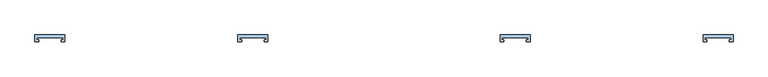
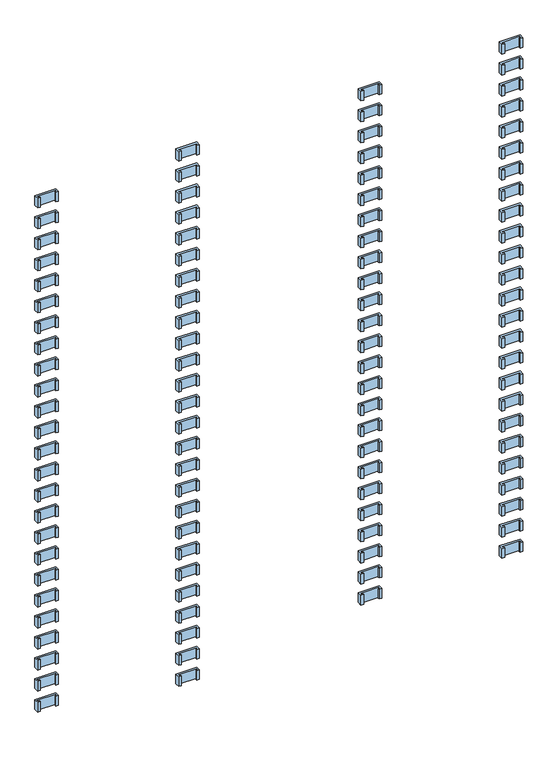
"""IFC4 building model written with IfcOpenShell, lengths in millimetres: window geometry."""

from ifc_helpers import new_model, si_unit, frame, origin, place, context, project, spatial, polyline, outline, extrude, source, transform, mapped, element, save


def window_f1f08035(model_context):
    return source(origin(), model_context, "Body", "SweptSolid", [
        extrude(outline(polyline([(-302.5936804, 112.1), (-302.5936804, 107.9), (-298.5936804, 107.9), (-298.5936804, 104.1), (-306.5, 104.1), (-306.5, 118.0), (-243.5, 118.0), (-243.5, 104.1), (-251.4063196, 104.1), (-251.4063196, 107.9), (-247.4063196, 107.9), (-247.4063196, 112.1), (-302.5936804, 112.1)])), frame((0.0, 0.0, 2062.0), z_axis=(0.0, 0.0, 1.0), x_axis=(1.0, 0.0, 0.0)), (0.0, 0.0, 1.0), 31.0),
        extrude(outline(polyline([(247.4063196, 112.1), (247.4063196, 107.9), (251.4063196, 107.9), (251.4063196, 104.1), (243.5, 104.1), (243.5, 118.0), (306.5, 118.0), (306.5, 104.1), (298.5936804, 104.1), (298.5936804, 107.9), (302.5936804, 107.9), (302.5936804, 112.1), (247.4063196, 112.1)])), frame((0.0, 0.0, 2062.0), z_axis=(0.0, 0.0, 1.0), x_axis=(1.0, 0.0, 0.0)), (0.0, 0.0, 1.0), 31.0),
        extrude(outline(polyline([(-672.9063196, 112.1), (-728.0936804, 112.1), (-728.0936804, 107.9), (-724.0936804, 107.9), (-724.0936804, 104.1), (-732.0, 104.1), (-732.0, 118.0), (-669.0, 118.0), (-669.0, 104.1), (-676.9063196, 104.1), (-676.9063196, 107.9), (-672.9063196, 107.9), (-672.9063196, 112.1)])), frame((0.0, 0.0, 2062.0), z_axis=(0.0, 0.0, 1.0), x_axis=(1.0, 0.0, 0.0)), (0.0, 0.0, 1.0), 31.0),
        extrude(outline(polyline([(672.9063196, 112.1), (672.9063196, 107.9), (676.9063196, 107.9), (676.9063196, 104.1), (669.0, 104.1), (669.0, 118.0), (732.0, 118.0), (732.0, 104.1), (724.0936804, 104.1), (724.0936804, 107.9), (728.0936804, 107.9), (728.0936804, 112.1), (672.9063196, 112.1)])), frame((0.0, 0.0, 2062.0), z_axis=(0.0, 0.0, 1.0), x_axis=(1.0, 0.0, 0.0)), (0.0, 0.0, 1.0), 31.0),
        extrude(outline(polyline([(-302.5936804, 112.1), (-302.5936804, 107.9), (-298.5936804, 107.9), (-298.5936804, 104.1), (-306.5, 104.1), (-306.5, 118.0), (-243.5, 118.0), (-243.5, 104.1), (-251.4063196, 104.1), (-251.4063196, 107.9), (-247.4063196, 107.9), (-247.4063196, 112.1), (-302.5936804, 112.1)])), frame((0.0, 0.0, 1995.0), z_axis=(0.0, 0.0, 1.0), x_axis=(1.0, 0.0, 0.0)), (0.0, 0.0, 1.0), 31.0),
        extrude(outline(polyline([(247.4063196, 112.1), (247.4063196, 107.9), (251.4063196, 107.9), (251.4063196, 104.1), (243.5, 104.1), (243.5, 118.0), (306.5, 118.0), (306.5, 104.1), (298.5936804, 104.1), (298.5936804, 107.9), (302.5936804, 107.9), (302.5936804, 112.1), (247.4063196, 112.1)])), frame((0.0, 0.0, 1995.0), z_axis=(0.0, 0.0, 1.0), x_axis=(1.0, 0.0, 0.0)), (0.0, 0.0, 1.0), 31.0),
        extrude(outline(polyline([(-672.9063196, 112.1), (-728.0936804, 112.1), (-728.0936804, 107.9), (-724.0936804, 107.9), (-724.0936804, 104.1), (-732.0, 104.1), (-732.0, 118.0), (-669.0, 118.0), (-669.0, 104.1), (-676.9063196, 104.1), (-676.9063196, 107.9), (-672.9063196, 107.9), (-672.9063196, 112.1)])), frame((0.0, 0.0, 1995.0), z_axis=(0.0, 0.0, 1.0), x_axis=(1.0, 0.0, 0.0)), (0.0, 0.0, 1.0), 31.0),
        extrude(outline(polyline([(672.9063196, 112.1), (672.9063196, 107.9), (676.9063196, 107.9), (676.9063196, 104.1), (669.0, 104.1), (669.0, 118.0), (732.0, 118.0), (732.0, 104.1), (724.0936804, 104.1), (724.0936804, 107.9), (728.0936804, 107.9), (728.0936804, 112.1), (672.9063196, 112.1)])), frame((0.0, 0.0, 1995.0), z_axis=(0.0, 0.0, 1.0), x_axis=(1.0, 0.0, 0.0)), (0.0, 0.0, 1.0), 31.0),
        extrude(outline(polyline([(-302.5936804, 112.1), (-302.5936804, 107.9), (-298.5936804, 107.9), (-298.5936804, 104.1), (-306.5, 104.1), (-306.5, 118.0), (-243.5, 118.0), (-243.5, 104.1), (-251.4063196, 104.1), (-251.4063196, 107.9), (-247.4063196, 107.9), (-247.4063196, 112.1), (-302.5936804, 112.1)])), frame((0.0, 0.0, 1928.0), z_axis=(0.0, 0.0, 1.0), x_axis=(1.0, 0.0, 0.0)), (0.0, 0.0, 1.0), 31.0),
        extrude(outline(polyline([(247.4063196, 112.1), (247.4063196, 107.9), (251.4063196, 107.9), (251.4063196, 104.1), (243.5, 104.1), (243.5, 118.0), (306.5, 118.0), (306.5, 104.1), (298.5936804, 104.1), (298.5936804, 107.9), (302.5936804, 107.9), (302.5936804, 112.1), (247.4063196, 112.1)])), frame((0.0, 0.0, 1928.0), z_axis=(0.0, 0.0, 1.0), x_axis=(1.0, 0.0, 0.0)), (0.0, 0.0, 1.0), 31.0),
        extrude(outline(polyline([(-672.9063196, 112.1), (-728.0936804, 112.1), (-728.0936804, 107.9), (-724.0936804, 107.9), (-724.0936804, 104.1), (-732.0, 104.1), (-732.0, 118.0), (-669.0, 118.0), (-669.0, 104.1), (-676.9063196, 104.1), (-676.9063196, 107.9), (-672.9063196, 107.9), (-672.9063196, 112.1)])), frame((0.0, 0.0, 1928.0), z_axis=(0.0, 0.0, 1.0), x_axis=(1.0, 0.0, 0.0)), (0.0, 0.0, 1.0), 31.0),
        extrude(outline(polyline([(672.9063196, 112.1), (672.9063196, 107.9), (676.9063196, 107.9), (676.9063196, 104.1), (669.0, 104.1), (669.0, 118.0), (732.0, 118.0), (732.0, 104.1), (724.0936804, 104.1), (724.0936804, 107.9), (728.0936804, 107.9), (728.0936804, 112.1), (672.9063196, 112.1)])), frame((0.0, 0.0, 1928.0), z_axis=(0.0, 0.0, 1.0), x_axis=(1.0, 0.0, 0.0)), (0.0, 0.0, 1.0), 31.0),
        extrude(outline(polyline([(-302.5936804, 112.1), (-302.5936804, 107.9), (-298.5936804, 107.9), (-298.5936804, 104.1), (-306.5, 104.1), (-306.5, 118.0), (-243.5, 118.0), (-243.5, 104.1), (-251.4063196, 104.1), (-251.4063196, 107.9), (-247.4063196, 107.9), (-247.4063196, 112.1), (-302.5936804, 112.1)])), frame((0.0, 0.0, 1861.0), z_axis=(0.0, 0.0, 1.0), x_axis=(1.0, 0.0, 0.0)), (0.0, 0.0, 1.0), 31.0),
        extrude(outline(polyline([(247.4063196, 112.1), (247.4063196, 107.9), (251.4063196, 107.9), (251.4063196, 104.1), (243.5, 104.1), (243.5, 118.0), (306.5, 118.0), (306.5, 104.1), (298.5936804, 104.1), (298.5936804, 107.9), (302.5936804, 107.9), (302.5936804, 112.1), (247.4063196, 112.1)])), frame((0.0, 0.0, 1861.0), z_axis=(0.0, 0.0, 1.0), x_axis=(1.0, 0.0, 0.0)), (0.0, 0.0, 1.0), 31.0),
        extrude(outline(polyline([(-672.9063196, 112.1), (-728.0936804, 112.1), (-728.0936804, 107.9), (-724.0936804, 107.9), (-724.0936804, 104.1), (-732.0, 104.1), (-732.0, 118.0), (-669.0, 118.0), (-669.0, 104.1), (-676.9063196, 104.1), (-676.9063196, 107.9), (-672.9063196, 107.9), (-672.9063196, 112.1)])), frame((0.0, 0.0, 1861.0), z_axis=(0.0, 0.0, 1.0), x_axis=(1.0, 0.0, 0.0)), (0.0, 0.0, 1.0), 31.0),
        extrude(outline(polyline([(672.9063196, 112.1), (672.9063196, 107.9), (676.9063196, 107.9), (676.9063196, 104.1), (669.0, 104.1), (669.0, 118.0), (732.0, 118.0), (732.0, 104.1), (724.0936804, 104.1), (724.0936804, 107.9), (728.0936804, 107.9), (728.0936804, 112.1), (672.9063196, 112.1)])), frame((0.0, 0.0, 1861.0), z_axis=(0.0, 0.0, 1.0), x_axis=(1.0, 0.0, 0.0)), (0.0, 0.0, 1.0), 31.0),
        extrude(outline(polyline([(-302.5936804, 112.1), (-302.5936804, 107.9), (-298.5936804, 107.9), (-298.5936804, 104.1), (-306.5, 104.1), (-306.5, 118.0), (-243.5, 118.0), (-243.5, 104.1), (-251.4063196, 104.1), (-251.4063196, 107.9), (-247.4063196, 107.9), (-247.4063196, 112.1), (-302.5936804, 112.1)])), frame((0.0, 0.0, 1794.0), z_axis=(0.0, 0.0, 1.0), x_axis=(1.0, 0.0, 0.0)), (0.0, 0.0, 1.0), 31.0),
        extrude(outline(polyline([(247.4063196, 112.1), (247.4063196, 107.9), (251.4063196, 107.9), (251.4063196, 104.1), (243.5, 104.1), (243.5, 118.0), (306.5, 118.0), (306.5, 104.1), (298.5936804, 104.1), (298.5936804, 107.9), (302.5936804, 107.9), (302.5936804, 112.1), (247.4063196, 112.1)])), frame((0.0, 0.0, 1794.0), z_axis=(0.0, 0.0, 1.0), x_axis=(1.0, 0.0, 0.0)), (0.0, 0.0, 1.0), 31.0),
        extrude(outline(polyline([(-672.9063196, 112.1), (-728.0936804, 112.1), (-728.0936804, 107.9), (-724.0936804, 107.9), (-724.0936804, 104.1), (-732.0, 104.1), (-732.0, 118.0), (-669.0, 118.0), (-669.0, 104.1), (-676.9063196, 104.1), (-676.9063196, 107.9), (-672.9063196, 107.9), (-672.9063196, 112.1)])), frame((0.0, 0.0, 1794.0), z_axis=(0.0, 0.0, 1.0), x_axis=(1.0, 0.0, 0.0)), (0.0, 0.0, 1.0), 31.0),
        extrude(outline(polyline([(672.9063196, 112.1), (672.9063196, 107.9), (676.9063196, 107.9), (676.9063196, 104.1), (669.0, 104.1), (669.0, 118.0), (732.0, 118.0), (732.0, 104.1), (724.0936804, 104.1), (724.0936804, 107.9), (728.0936804, 107.9), (728.0936804, 112.1), (672.9063196, 112.1)])), frame((0.0, 0.0, 1794.0), z_axis=(0.0, 0.0, 1.0), x_axis=(1.0, 0.0, 0.0)), (0.0, 0.0, 1.0), 31.0),
        extrude(outline(polyline([(-302.5936804, 112.1), (-302.5936804, 107.9), (-298.5936804, 107.9), (-298.5936804, 104.1), (-306.5, 104.1), (-306.5, 118.0), (-243.5, 118.0), (-243.5, 104.1), (-251.4063196, 104.1), (-251.4063196, 107.9), (-247.4063196, 107.9), (-247.4063196, 112.1), (-302.5936804, 112.1)])), frame((0.0, 0.0, 1727.0), z_axis=(0.0, 0.0, 1.0), x_axis=(1.0, 0.0, 0.0)), (0.0, 0.0, 1.0), 31.0),
        extrude(outline(polyline([(247.4063196, 112.1), (247.4063196, 107.9), (251.4063196, 107.9), (251.4063196, 104.1), (243.5, 104.1), (243.5, 118.0), (306.5, 118.0), (306.5, 104.1), (298.5936804, 104.1), (298.5936804, 107.9), (302.5936804, 107.9), (302.5936804, 112.1), (247.4063196, 112.1)])), frame((0.0, 0.0, 1727.0), z_axis=(0.0, 0.0, 1.0), x_axis=(1.0, 0.0, 0.0)), (0.0, 0.0, 1.0), 31.0),
        extrude(outline(polyline([(-672.9063196, 112.1), (-728.0936804, 112.1), (-728.0936804, 107.9), (-724.0936804, 107.9), (-724.0936804, 104.1), (-732.0, 104.1), (-732.0, 118.0), (-669.0, 118.0), (-669.0, 104.1), (-676.9063196, 104.1), (-676.9063196, 107.9), (-672.9063196, 107.9), (-672.9063196, 112.1)])), frame((0.0, 0.0, 1727.0), z_axis=(0.0, 0.0, 1.0), x_axis=(1.0, 0.0, 0.0)), (0.0, 0.0, 1.0), 31.0),
        extrude(outline(polyline([(672.9063196, 112.1), (672.9063196, 107.9), (676.9063196, 107.9), (676.9063196, 104.1), (669.0, 104.1), (669.0, 118.0), (732.0, 118.0), (732.0, 104.1), (724.0936804, 104.1), (724.0936804, 107.9), (728.0936804, 107.9), (728.0936804, 112.1), (672.9063196, 112.1)])), frame((0.0, 0.0, 1727.0), z_axis=(0.0, 0.0, 1.0), x_axis=(1.0, 0.0, 0.0)), (0.0, 0.0, 1.0), 31.0),
        extrude(outline(polyline([(-302.5936804, 112.1), (-302.5936804, 107.9), (-298.5936804, 107.9), (-298.5936804, 104.1), (-306.5, 104.1), (-306.5, 118.0), (-243.5, 118.0), (-243.5, 104.1), (-251.4063196, 104.1), (-251.4063196, 107.9), (-247.4063196, 107.9), (-247.4063196, 112.1), (-302.5936804, 112.1)])), frame((0.0, 0.0, 1660.0), z_axis=(0.0, 0.0, 1.0), x_axis=(1.0, 0.0, 0.0)), (0.0, 0.0, 1.0), 31.0),
        extrude(outline(polyline([(247.4063196, 112.1), (247.4063196, 107.9), (251.4063196, 107.9), (251.4063196, 104.1), (243.5, 104.1), (243.5, 118.0), (306.5, 118.0), (306.5, 104.1), (298.5936804, 104.1), (298.5936804, 107.9), (302.5936804, 107.9), (302.5936804, 112.1), (247.4063196, 112.1)])), frame((0.0, 0.0, 1660.0), z_axis=(0.0, 0.0, 1.0), x_axis=(1.0, 0.0, 0.0)), (0.0, 0.0, 1.0), 31.0),
        extrude(outline(polyline([(-672.9063196, 112.1), (-728.0936804, 112.1), (-728.0936804, 107.9), (-724.0936804, 107.9), (-724.0936804, 104.1), (-732.0, 104.1), (-732.0, 118.0), (-669.0, 118.0), (-669.0, 104.1), (-676.9063196, 104.1), (-676.9063196, 107.9), (-672.9063196, 107.9), (-672.9063196, 112.1)])), frame((0.0, 0.0, 1660.0), z_axis=(0.0, 0.0, 1.0), x_axis=(1.0, 0.0, 0.0)), (0.0, 0.0, 1.0), 31.0),
        extrude(outline(polyline([(672.9063196, 112.1), (672.9063196, 107.9), (676.9063196, 107.9), (676.9063196, 104.1), (669.0, 104.1), (669.0, 118.0), (732.0, 118.0), (732.0, 104.1), (724.0936804, 104.1), (724.0936804, 107.9), (728.0936804, 107.9), (728.0936804, 112.1), (672.9063196, 112.1)])), frame((0.0, 0.0, 1660.0), z_axis=(0.0, 0.0, 1.0), x_axis=(1.0, 0.0, 0.0)), (0.0, 0.0, 1.0), 31.0),
        extrude(outline(polyline([(-302.5936804, 112.1), (-302.5936804, 107.9), (-298.5936804, 107.9), (-298.5936804, 104.1), (-306.5, 104.1), (-306.5, 118.0), (-243.5, 118.0), (-243.5, 104.1), (-251.4063196, 104.1), (-251.4063196, 107.9), (-247.4063196, 107.9), (-247.4063196, 112.1), (-302.5936804, 112.1)])), frame((0.0, 0.0, 1593.0), z_axis=(0.0, 0.0, 1.0), x_axis=(1.0, 0.0, 0.0)), (0.0, 0.0, 1.0), 31.0),
        extrude(outline(polyline([(247.4063196, 112.1), (247.4063196, 107.9), (251.4063196, 107.9), (251.4063196, 104.1), (243.5, 104.1), (243.5, 118.0), (306.5, 118.0), (306.5, 104.1), (298.5936804, 104.1), (298.5936804, 107.9), (302.5936804, 107.9), (302.5936804, 112.1), (247.4063196, 112.1)])), frame((0.0, 0.0, 1593.0), z_axis=(0.0, 0.0, 1.0), x_axis=(1.0, 0.0, 0.0)), (0.0, 0.0, 1.0), 31.0),
        extrude(outline(polyline([(-672.9063196, 112.1), (-728.0936804, 112.1), (-728.0936804, 107.9), (-724.0936804, 107.9), (-724.0936804, 104.1), (-732.0, 104.1), (-732.0, 118.0), (-669.0, 118.0), (-669.0, 104.1), (-676.9063196, 104.1), (-676.9063196, 107.9), (-672.9063196, 107.9), (-672.9063196, 112.1)])), frame((0.0, 0.0, 1593.0), z_axis=(0.0, 0.0, 1.0), x_axis=(1.0, 0.0, 0.0)), (0.0, 0.0, 1.0), 31.0),
        extrude(outline(polyline([(672.9063196, 112.1), (672.9063196, 107.9), (676.9063196, 107.9), (676.9063196, 104.1), (669.0, 104.1), (669.0, 118.0), (732.0, 118.0), (732.0, 104.1), (724.0936804, 104.1), (724.0936804, 107.9), (728.0936804, 107.9), (728.0936804, 112.1), (672.9063196, 112.1)])), frame((0.0, 0.0, 1593.0), z_axis=(0.0, 0.0, 1.0), x_axis=(1.0, 0.0, 0.0)), (0.0, 0.0, 1.0), 31.0),
        extrude(outline(polyline([(-302.5936804, 112.1), (-302.5936804, 107.9), (-298.5936804, 107.9), (-298.5936804, 104.1), (-306.5, 104.1), (-306.5, 118.0), (-243.5, 118.0), (-243.5, 104.1), (-251.4063196, 104.1), (-251.4063196, 107.9), (-247.4063196, 107.9), (-247.4063196, 112.1), (-302.5936804, 112.1)])), frame((0.0, 0.0, 1526.0), z_axis=(0.0, 0.0, 1.0), x_axis=(1.0, 0.0, 0.0)), (0.0, 0.0, 1.0), 31.0),
        extrude(outline(polyline([(247.4063196, 112.1), (247.4063196, 107.9), (251.4063196, 107.9), (251.4063196, 104.1), (243.5, 104.1), (243.5, 118.0), (306.5, 118.0), (306.5, 104.1), (298.5936804, 104.1), (298.5936804, 107.9), (302.5936804, 107.9), (302.5936804, 112.1), (247.4063196, 112.1)])), frame((0.0, 0.0, 1526.0), z_axis=(0.0, 0.0, 1.0), x_axis=(1.0, 0.0, 0.0)), (0.0, 0.0, 1.0), 31.0),
        extrude(outline(polyline([(-672.9063196, 112.1), (-728.0936804, 112.1), (-728.0936804, 107.9), (-724.0936804, 107.9), (-724.0936804, 104.1), (-732.0, 104.1), (-732.0, 118.0), (-669.0, 118.0), (-669.0, 104.1), (-676.9063196, 104.1), (-676.9063196, 107.9), (-672.9063196, 107.9), (-672.9063196, 112.1)])), frame((0.0, 0.0, 1526.0), z_axis=(0.0, 0.0, 1.0), x_axis=(1.0, 0.0, 0.0)), (0.0, 0.0, 1.0), 31.0),
        extrude(outline(polyline([(672.9063196, 112.1), (672.9063196, 107.9), (676.9063196, 107.9), (676.9063196, 104.1), (669.0, 104.1), (669.0, 118.0), (732.0, 118.0), (732.0, 104.1), (724.0936804, 104.1), (724.0936804, 107.9), (728.0936804, 107.9), (728.0936804, 112.1), (672.9063196, 112.1)])), frame((0.0, 0.0, 1526.0), z_axis=(0.0, 0.0, 1.0), x_axis=(1.0, 0.0, 0.0)), (0.0, 0.0, 1.0), 31.0),
        extrude(outline(polyline([(-302.5936804, 112.1), (-302.5936804, 107.9), (-298.5936804, 107.9), (-298.5936804, 104.1), (-306.5, 104.1), (-306.5, 118.0), (-243.5, 118.0), (-243.5, 104.1), (-251.4063196, 104.1), (-251.4063196, 107.9), (-247.4063196, 107.9), (-247.4063196, 112.1), (-302.5936804, 112.1)])), frame((0.0, 0.0, 1459.0), z_axis=(0.0, 0.0, 1.0), x_axis=(1.0, 0.0, 0.0)), (0.0, 0.0, 1.0), 31.0),
        extrude(outline(polyline([(247.4063196, 112.1), (247.4063196, 107.9), (251.4063196, 107.9), (251.4063196, 104.1), (243.5, 104.1), (243.5, 118.0), (306.5, 118.0), (306.5, 104.1), (298.5936804, 104.1), (298.5936804, 107.9), (302.5936804, 107.9), (302.5936804, 112.1), (247.4063196, 112.1)])), frame((0.0, 0.0, 1459.0), z_axis=(0.0, 0.0, 1.0), x_axis=(1.0, 0.0, 0.0)), (0.0, 0.0, 1.0), 31.0),
        extrude(outline(polyline([(-672.9063196, 112.1), (-728.0936804, 112.1), (-728.0936804, 107.9), (-724.0936804, 107.9), (-724.0936804, 104.1), (-732.0, 104.1), (-732.0, 118.0), (-669.0, 118.0), (-669.0, 104.1), (-676.9063196, 104.1), (-676.9063196, 107.9), (-672.9063196, 107.9), (-672.9063196, 112.1)])), frame((0.0, 0.0, 1459.0), z_axis=(0.0, 0.0, 1.0), x_axis=(1.0, 0.0, 0.0)), (0.0, 0.0, 1.0), 31.0),
        extrude(outline(polyline([(672.9063196, 112.1), (672.9063196, 107.9), (676.9063196, 107.9), (676.9063196, 104.1), (669.0, 104.1), (669.0, 118.0), (732.0, 118.0), (732.0, 104.1), (724.0936804, 104.1), (724.0936804, 107.9), (728.0936804, 107.9), (728.0936804, 112.1), (672.9063196, 112.1)])), frame((0.0, 0.0, 1459.0), z_axis=(0.0, 0.0, 1.0), x_axis=(1.0, 0.0, 0.0)), (0.0, 0.0, 1.0), 31.0),
        extrude(outline(polyline([(-302.5936804, 112.1), (-302.5936804, 107.9), (-298.5936804, 107.9), (-298.5936804, 104.1), (-306.5, 104.1), (-306.5, 118.0), (-243.5, 118.0), (-243.5, 104.1), (-251.4063196, 104.1), (-251.4063196, 107.9), (-247.4063196, 107.9), (-247.4063196, 112.1), (-302.5936804, 112.1)])), frame((0.0, 0.0, 1392.0), z_axis=(0.0, 0.0, 1.0), x_axis=(1.0, 0.0, 0.0)), (0.0, 0.0, 1.0), 31.0),
        extrude(outline(polyline([(247.4063196, 112.1), (247.4063196, 107.9), (251.4063196, 107.9), (251.4063196, 104.1), (243.5, 104.1), (243.5, 118.0), (306.5, 118.0), (306.5, 104.1), (298.5936804, 104.1), (298.5936804, 107.9), (302.5936804, 107.9), (302.5936804, 112.1), (247.4063196, 112.1)])), frame((0.0, 0.0, 1392.0), z_axis=(0.0, 0.0, 1.0), x_axis=(1.0, 0.0, 0.0)), (0.0, 0.0, 1.0), 31.0),
        extrude(outline(polyline([(-672.9063196, 112.1), (-728.0936804, 112.1), (-728.0936804, 107.9), (-724.0936804, 107.9), (-724.0936804, 104.1), (-732.0, 104.1), (-732.0, 118.0), (-669.0, 118.0), (-669.0, 104.1), (-676.9063196, 104.1), (-676.9063196, 107.9), (-672.9063196, 107.9), (-672.9063196, 112.1)])), frame((0.0, 0.0, 1392.0), z_axis=(0.0, 0.0, 1.0), x_axis=(1.0, 0.0, 0.0)), (0.0, 0.0, 1.0), 31.0),
        extrude(outline(polyline([(672.9063196, 112.1), (672.9063196, 107.9), (676.9063196, 107.9), (676.9063196, 104.1), (669.0, 104.1), (669.0, 118.0), (732.0, 118.0), (732.0, 104.1), (724.0936804, 104.1), (724.0936804, 107.9), (728.0936804, 107.9), (728.0936804, 112.1), (672.9063196, 112.1)])), frame((0.0, 0.0, 1392.0), z_axis=(0.0, 0.0, 1.0), x_axis=(1.0, 0.0, 0.0)), (0.0, 0.0, 1.0), 31.0),
        extrude(outline(polyline([(-302.5936804, 112.1), (-302.5936804, 107.9), (-298.5936804, 107.9), (-298.5936804, 104.1), (-306.5, 104.1), (-306.5, 118.0), (-243.5, 118.0), (-243.5, 104.1), (-251.4063196, 104.1), (-251.4063196, 107.9), (-247.4063196, 107.9), (-247.4063196, 112.1), (-302.5936804, 112.1)])), frame((0.0, 0.0, 1325.0), z_axis=(0.0, 0.0, 1.0), x_axis=(1.0, 0.0, 0.0)), (0.0, 0.0, 1.0), 31.0),
        extrude(outline(polyline([(247.4063196, 112.1), (247.4063196, 107.9), (251.4063196, 107.9), (251.4063196, 104.1), (243.5, 104.1), (243.5, 118.0), (306.5, 118.0), (306.5, 104.1), (298.5936804, 104.1), (298.5936804, 107.9), (302.5936804, 107.9), (302.5936804, 112.1), (247.4063196, 112.1)])), frame((0.0, 0.0, 1325.0), z_axis=(0.0, 0.0, 1.0), x_axis=(1.0, 0.0, 0.0)), (0.0, 0.0, 1.0), 31.0),
        extrude(outline(polyline([(-672.9063196, 112.1), (-728.0936804, 112.1), (-728.0936804, 107.9), (-724.0936804, 107.9), (-724.0936804, 104.1), (-732.0, 104.1), (-732.0, 118.0), (-669.0, 118.0), (-669.0, 104.1), (-676.9063196, 104.1), (-676.9063196, 107.9), (-672.9063196, 107.9), (-672.9063196, 112.1)])), frame((0.0, 0.0, 1325.0), z_axis=(0.0, 0.0, 1.0), x_axis=(1.0, 0.0, 0.0)), (0.0, 0.0, 1.0), 31.0),
        extrude(outline(polyline([(672.9063196, 112.1), (672.9063196, 107.9), (676.9063196, 107.9), (676.9063196, 104.1), (669.0, 104.1), (669.0, 118.0), (732.0, 118.0), (732.0, 104.1), (724.0936804, 104.1), (724.0936804, 107.9), (728.0936804, 107.9), (728.0936804, 112.1), (672.9063196, 112.1)])), frame((0.0, 0.0, 1325.0), z_axis=(0.0, 0.0, 1.0), x_axis=(1.0, 0.0, 0.0)), (0.0, 0.0, 1.0), 31.0),
        extrude(outline(polyline([(-302.5936804, 112.1), (-302.5936804, 107.9), (-298.5936804, 107.9), (-298.5936804, 104.1), (-306.5, 104.1), (-306.5, 118.0), (-243.5, 118.0), (-243.5, 104.1), (-251.4063196, 104.1), (-251.4063196, 107.9), (-247.4063196, 107.9), (-247.4063196, 112.1), (-302.5936804, 112.1)])), frame((0.0, 0.0, 1258.0), z_axis=(0.0, 0.0, 1.0), x_axis=(1.0, 0.0, 0.0)), (0.0, 0.0, 1.0), 31.0),
        extrude(outline(polyline([(247.4063196, 112.1), (247.4063196, 107.9), (251.4063196, 107.9), (251.4063196, 104.1), (243.5, 104.1), (243.5, 118.0), (306.5, 118.0), (306.5, 104.1), (298.5936804, 104.1), (298.5936804, 107.9), (302.5936804, 107.9), (302.5936804, 112.1), (247.4063196, 112.1)])), frame((0.0, 0.0, 1258.0), z_axis=(0.0, 0.0, 1.0), x_axis=(1.0, 0.0, 0.0)), (0.0, 0.0, 1.0), 31.0),
        extrude(outline(polyline([(-672.9063196, 112.1), (-728.0936804, 112.1), (-728.0936804, 107.9), (-724.0936804, 107.9), (-724.0936804, 104.1), (-732.0, 104.1), (-732.0, 118.0), (-669.0, 118.0), (-669.0, 104.1), (-676.9063196, 104.1), (-676.9063196, 107.9), (-672.9063196, 107.9), (-672.9063196, 112.1)])), frame((0.0, 0.0, 1258.0), z_axis=(0.0, 0.0, 1.0), x_axis=(1.0, 0.0, 0.0)), (0.0, 0.0, 1.0), 31.0),
        extrude(outline(polyline([(672.9063196, 112.1), (672.9063196, 107.9), (676.9063196, 107.9), (676.9063196, 104.1), (669.0, 104.1), (669.0, 118.0), (732.0, 118.0), (732.0, 104.1), (724.0936804, 104.1), (724.0936804, 107.9), (728.0936804, 107.9), (728.0936804, 112.1), (672.9063196, 112.1)])), frame((0.0, 0.0, 1258.0), z_axis=(0.0, 0.0, 1.0), x_axis=(1.0, 0.0, 0.0)), (0.0, 0.0, 1.0), 31.0),
        extrude(outline(polyline([(-302.5936804, 112.1), (-302.5936804, 107.9), (-298.5936804, 107.9), (-298.5936804, 104.1), (-306.5, 104.1), (-306.5, 118.0), (-243.5, 118.0), (-243.5, 104.1), (-251.4063196, 104.1), (-251.4063196, 107.9), (-247.4063196, 107.9), (-247.4063196, 112.1), (-302.5936804, 112.1)])), frame((0.0, 0.0, 1191.0), z_axis=(0.0, 0.0, 1.0), x_axis=(1.0, 0.0, 0.0)), (0.0, 0.0, 1.0), 31.0),
        extrude(outline(polyline([(247.4063196, 112.1), (247.4063196, 107.9), (251.4063196, 107.9), (251.4063196, 104.1), (243.5, 104.1), (243.5, 118.0), (306.5, 118.0), (306.5, 104.1), (298.5936804, 104.1), (298.5936804, 107.9), (302.5936804, 107.9), (302.5936804, 112.1), (247.4063196, 112.1)])), frame((0.0, 0.0, 1191.0), z_axis=(0.0, 0.0, 1.0), x_axis=(1.0, 0.0, 0.0)), (0.0, 0.0, 1.0), 31.0),
        extrude(outline(polyline([(-672.9063196, 112.1), (-728.0936804, 112.1), (-728.0936804, 107.9), (-724.0936804, 107.9), (-724.0936804, 104.1), (-732.0, 104.1), (-732.0, 118.0), (-669.0, 118.0), (-669.0, 104.1), (-676.9063196, 104.1), (-676.9063196, 107.9), (-672.9063196, 107.9), (-672.9063196, 112.1)])), frame((0.0, 0.0, 1191.0), z_axis=(0.0, 0.0, 1.0), x_axis=(1.0, 0.0, 0.0)), (0.0, 0.0, 1.0), 31.0),
        extrude(outline(polyline([(672.9063196, 112.1), (672.9063196, 107.9), (676.9063196, 107.9), (676.9063196, 104.1), (669.0, 104.1), (669.0, 118.0), (732.0, 118.0), (732.0, 104.1), (724.0936804, 104.1), (724.0936804, 107.9), (728.0936804, 107.9), (728.0936804, 112.1), (672.9063196, 112.1)])), frame((0.0, 0.0, 1191.0), z_axis=(0.0, 0.0, 1.0), x_axis=(1.0, 0.0, 0.0)), (0.0, 0.0, 1.0), 31.0),
        extrude(outline(polyline([(-302.5936804, 112.1), (-302.5936804, 107.9), (-298.5936804, 107.9), (-298.5936804, 104.1), (-306.5, 104.1), (-306.5, 118.0), (-243.5, 118.0), (-243.5, 104.1), (-251.4063196, 104.1), (-251.4063196, 107.9), (-247.4063196, 107.9), (-247.4063196, 112.1), (-302.5936804, 112.1)])), frame((0.0, 0.0, 1124.0), z_axis=(0.0, 0.0, 1.0), x_axis=(1.0, 0.0, 0.0)), (0.0, 0.0, 1.0), 31.0),
        extrude(outline(polyline([(247.4063196, 112.1), (247.4063196, 107.9), (251.4063196, 107.9), (251.4063196, 104.1), (243.5, 104.1), (243.5, 118.0), (306.5, 118.0), (306.5, 104.1), (298.5936804, 104.1), (298.5936804, 107.9), (302.5936804, 107.9), (302.5936804, 112.1), (247.4063196, 112.1)])), frame((0.0, 0.0, 1124.0), z_axis=(0.0, 0.0, 1.0), x_axis=(1.0, 0.0, 0.0)), (0.0, 0.0, 1.0), 31.0),
        extrude(outline(polyline([(-672.9063196, 112.1), (-728.0936804, 112.1), (-728.0936804, 107.9), (-724.0936804, 107.9), (-724.0936804, 104.1), (-732.0, 104.1), (-732.0, 118.0), (-669.0, 118.0), (-669.0, 104.1), (-676.9063196, 104.1), (-676.9063196, 107.9), (-672.9063196, 107.9), (-672.9063196, 112.1)])), frame((0.0, 0.0, 1124.0), z_axis=(0.0, 0.0, 1.0), x_axis=(1.0, 0.0, 0.0)), (0.0, 0.0, 1.0), 31.0),
        extrude(outline(polyline([(672.9063196, 112.1), (672.9063196, 107.9), (676.9063196, 107.9), (676.9063196, 104.1), (669.0, 104.1), (669.0, 118.0), (732.0, 118.0), (732.0, 104.1), (724.0936804, 104.1), (724.0936804, 107.9), (728.0936804, 107.9), (728.0936804, 112.1), (672.9063196, 112.1)])), frame((0.0, 0.0, 1124.0), z_axis=(0.0, 0.0, 1.0), x_axis=(1.0, 0.0, 0.0)), (0.0, 0.0, 1.0), 31.0),
        extrude(outline(polyline([(-302.5936804, 112.1), (-302.5936804, 107.9), (-298.5936804, 107.9), (-298.5936804, 104.1), (-306.5, 104.1), (-306.5, 118.0), (-243.5, 118.0), (-243.5, 104.1), (-251.4063196, 104.1), (-251.4063196, 107.9), (-247.4063196, 107.9), (-247.4063196, 112.1), (-302.5936804, 112.1)])), frame((0.0, 0.0, 1057.0), z_axis=(0.0, 0.0, 1.0), x_axis=(1.0, 0.0, 0.0)), (0.0, 0.0, 1.0), 31.0),
        extrude(outline(polyline([(247.4063196, 112.1), (247.4063196, 107.9), (251.4063196, 107.9), (251.4063196, 104.1), (243.5, 104.1), (243.5, 118.0), (306.5, 118.0), (306.5, 104.1), (298.5936804, 104.1), (298.5936804, 107.9), (302.5936804, 107.9), (302.5936804, 112.1), (247.4063196, 112.1)])), frame((0.0, 0.0, 1057.0), z_axis=(0.0, 0.0, 1.0), x_axis=(1.0, 0.0, 0.0)), (0.0, 0.0, 1.0), 31.0),
        extrude(outline(polyline([(-672.9063196, 112.1), (-728.0936804, 112.1), (-728.0936804, 107.9), (-724.0936804, 107.9), (-724.0936804, 104.1), (-732.0, 104.1), (-732.0, 118.0), (-669.0, 118.0), (-669.0, 104.1), (-676.9063196, 104.1), (-676.9063196, 107.9), (-672.9063196, 107.9), (-672.9063196, 112.1)])), frame((0.0, 0.0, 1057.0), z_axis=(0.0, 0.0, 1.0), x_axis=(1.0, 0.0, 0.0)), (0.0, 0.0, 1.0), 31.0),
        extrude(outline(polyline([(672.9063196, 112.1), (672.9063196, 107.9), (676.9063196, 107.9), (676.9063196, 104.1), (669.0, 104.1), (669.0, 118.0), (732.0, 118.0), (732.0, 104.1), (724.0936804, 104.1), (724.0936804, 107.9), (728.0936804, 107.9), (728.0936804, 112.1), (672.9063196, 112.1)])), frame((0.0, 0.0, 1057.0), z_axis=(0.0, 0.0, 1.0), x_axis=(1.0, 0.0, 0.0)), (0.0, 0.0, 1.0), 31.0),
        extrude(outline(polyline([(-302.5936804, 112.1), (-302.5936804, 107.9), (-298.5936804, 107.9), (-298.5936804, 104.1), (-306.5, 104.1), (-306.5, 118.0), (-243.5, 118.0), (-243.5, 104.1), (-251.4063196, 104.1), (-251.4063196, 107.9), (-247.4063196, 107.9), (-247.4063196, 112.1), (-302.5936804, 112.1)])), frame((0.0, 0.0, 990.0), z_axis=(0.0, 0.0, 1.0), x_axis=(1.0, 0.0, 0.0)), (0.0, 0.0, 1.0), 31.0),
        extrude(outline(polyline([(247.4063196, 112.1), (247.4063196, 107.9), (251.4063196, 107.9), (251.4063196, 104.1), (243.5, 104.1), (243.5, 118.0), (306.5, 118.0), (306.5, 104.1), (298.5936804, 104.1), (298.5936804, 107.9), (302.5936804, 107.9), (302.5936804, 112.1), (247.4063196, 112.1)])), frame((0.0, 0.0, 990.0), z_axis=(0.0, 0.0, 1.0), x_axis=(1.0, 0.0, 0.0)), (0.0, 0.0, 1.0), 31.0),
        extrude(outline(polyline([(-672.9063196, 112.1), (-728.0936804, 112.1), (-728.0936804, 107.9), (-724.0936804, 107.9), (-724.0936804, 104.1), (-732.0, 104.1), (-732.0, 118.0), (-669.0, 118.0), (-669.0, 104.1), (-676.9063196, 104.1), (-676.9063196, 107.9), (-672.9063196, 107.9), (-672.9063196, 112.1)])), frame((0.0, 0.0, 990.0), z_axis=(0.0, 0.0, 1.0), x_axis=(1.0, 0.0, 0.0)), (0.0, 0.0, 1.0), 31.0),
        extrude(outline(polyline([(672.9063196, 112.1), (672.9063196, 107.9), (676.9063196, 107.9), (676.9063196, 104.1), (669.0, 104.1), (669.0, 118.0), (732.0, 118.0), (732.0, 104.1), (724.0936804, 104.1), (724.0936804, 107.9), (728.0936804, 107.9), (728.0936804, 112.1), (672.9063196, 112.1)])), frame((0.0, 0.0, 990.0), z_axis=(0.0, 0.0, 1.0), x_axis=(1.0, 0.0, 0.0)), (0.0, 0.0, 1.0), 31.0),
        extrude(outline(polyline([(-302.5936804, 112.1), (-302.5936804, 107.9), (-298.5936804, 107.9), (-298.5936804, 104.1), (-306.5, 104.1), (-306.5, 118.0), (-243.5, 118.0), (-243.5, 104.1), (-251.4063196, 104.1), (-251.4063196, 107.9), (-247.4063196, 107.9), (-247.4063196, 112.1), (-302.5936804, 112.1)])), frame((0.0, 0.0, 923.0), z_axis=(0.0, 0.0, 1.0), x_axis=(1.0, 0.0, 0.0)), (0.0, 0.0, 1.0), 31.0),
        extrude(outline(polyline([(247.4063196, 112.1), (247.4063196, 107.9), (251.4063196, 107.9), (251.4063196, 104.1), (243.5, 104.1), (243.5, 118.0), (306.5, 118.0), (306.5, 104.1), (298.5936804, 104.1), (298.5936804, 107.9), (302.5936804, 107.9), (302.5936804, 112.1), (247.4063196, 112.1)])), frame((0.0, 0.0, 923.0), z_axis=(0.0, 0.0, 1.0), x_axis=(1.0, 0.0, 0.0)), (0.0, 0.0, 1.0), 31.0),
        extrude(outline(polyline([(-672.9063196, 112.1), (-728.0936804, 112.1), (-728.0936804, 107.9), (-724.0936804, 107.9), (-724.0936804, 104.1), (-732.0, 104.1), (-732.0, 118.0), (-669.0, 118.0), (-669.0, 104.1), (-676.9063196, 104.1), (-676.9063196, 107.9), (-672.9063196, 107.9), (-672.9063196, 112.1)])), frame((0.0, 0.0, 923.0), z_axis=(0.0, 0.0, 1.0), x_axis=(1.0, 0.0, 0.0)), (0.0, 0.0, 1.0), 31.0),
        extrude(outline(polyline([(672.9063196, 112.1), (672.9063196, 107.9), (676.9063196, 107.9), (676.9063196, 104.1), (669.0, 104.1), (669.0, 118.0), (732.0, 118.0), (732.0, 104.1), (724.0936804, 104.1), (724.0936804, 107.9), (728.0936804, 107.9), (728.0936804, 112.1), (672.9063196, 112.1)])), frame((0.0, 0.0, 923.0), z_axis=(0.0, 0.0, 1.0), x_axis=(1.0, 0.0, 0.0)), (0.0, 0.0, 1.0), 31.0),
        extrude(outline(polyline([(-302.5936804, 112.1), (-302.5936804, 107.9), (-298.5936804, 107.9), (-298.5936804, 104.1), (-306.5, 104.1), (-306.5, 118.0), (-243.5, 118.0), (-243.5, 104.1), (-251.4063196, 104.1), (-251.4063196, 107.9), (-247.4063196, 107.9), (-247.4063196, 112.1), (-302.5936804, 112.1)])), frame((0.0, 0.0, 856.0), z_axis=(0.0, 0.0, 1.0), x_axis=(1.0, 0.0, 0.0)), (0.0, 0.0, 1.0), 31.0),
        extrude(outline(polyline([(247.4063196, 112.1), (247.4063196, 107.9), (251.4063196, 107.9), (251.4063196, 104.1), (243.5, 104.1), (243.5, 118.0), (306.5, 118.0), (306.5, 104.1), (298.5936804, 104.1), (298.5936804, 107.9), (302.5936804, 107.9), (302.5936804, 112.1), (247.4063196, 112.1)])), frame((0.0, 0.0, 856.0), z_axis=(0.0, 0.0, 1.0), x_axis=(1.0, 0.0, 0.0)), (0.0, 0.0, 1.0), 31.0),
        extrude(outline(polyline([(-672.9063196, 112.1), (-728.0936804, 112.1), (-728.0936804, 107.9), (-724.0936804, 107.9), (-724.0936804, 104.1), (-732.0, 104.1), (-732.0, 118.0), (-669.0, 118.0), (-669.0, 104.1), (-676.9063196, 104.1), (-676.9063196, 107.9), (-672.9063196, 107.9), (-672.9063196, 112.1)])), frame((0.0, 0.0, 856.0), z_axis=(0.0, 0.0, 1.0), x_axis=(1.0, 0.0, 0.0)), (0.0, 0.0, 1.0), 31.0),
        extrude(outline(polyline([(672.9063196, 112.1), (672.9063196, 107.9), (676.9063196, 107.9), (676.9063196, 104.1), (669.0, 104.1), (669.0, 118.0), (732.0, 118.0), (732.0, 104.1), (724.0936804, 104.1), (724.0936804, 107.9), (728.0936804, 107.9), (728.0936804, 112.1), (672.9063196, 112.1)])), frame((0.0, 0.0, 856.0), z_axis=(0.0, 0.0, 1.0), x_axis=(1.0, 0.0, 0.0)), (0.0, 0.0, 1.0), 31.0),
        extrude(outline(polyline([(-302.5936804, 112.1), (-302.5936804, 107.9), (-298.5936804, 107.9), (-298.5936804, 104.1), (-306.5, 104.1), (-306.5, 118.0), (-243.5, 118.0), (-243.5, 104.1), (-251.4063196, 104.1), (-251.4063196, 107.9), (-247.4063196, 107.9), (-247.4063196, 112.1), (-302.5936804, 112.1)])), frame((0.0, 0.0, 789.0), z_axis=(0.0, 0.0, 1.0), x_axis=(1.0, 0.0, 0.0)), (0.0, 0.0, 1.0), 31.0),
        extrude(outline(polyline([(247.4063196, 112.1), (247.4063196, 107.9), (251.4063196, 107.9), (251.4063196, 104.1), (243.5, 104.1), (243.5, 118.0), (306.5, 118.0), (306.5, 104.1), (298.5936804, 104.1), (298.5936804, 107.9), (302.5936804, 107.9), (302.5936804, 112.1), (247.4063196, 112.1)])), frame((0.0, 0.0, 789.0), z_axis=(0.0, 0.0, 1.0), x_axis=(1.0, 0.0, 0.0)), (0.0, 0.0, 1.0), 31.0),
        extrude(outline(polyline([(-672.9063196, 112.1), (-728.0936804, 112.1), (-728.0936804, 107.9), (-724.0936804, 107.9), (-724.0936804, 104.1), (-732.0, 104.1), (-732.0, 118.0), (-669.0, 118.0), (-669.0, 104.1), (-676.9063196, 104.1), (-676.9063196, 107.9), (-672.9063196, 107.9), (-672.9063196, 112.1)])), frame((0.0, 0.0, 789.0), z_axis=(0.0, 0.0, 1.0), x_axis=(1.0, 0.0, 0.0)), (0.0, 0.0, 1.0), 31.0),
        extrude(outline(polyline([(672.9063196, 112.1), (672.9063196, 107.9), (676.9063196, 107.9), (676.9063196, 104.1), (669.0, 104.1), (669.0, 118.0), (732.0, 118.0), (732.0, 104.1), (724.0936804, 104.1), (724.0936804, 107.9), (728.0936804, 107.9), (728.0936804, 112.1), (672.9063196, 112.1)])), frame((0.0, 0.0, 789.0), z_axis=(0.0, 0.0, 1.0), x_axis=(1.0, 0.0, 0.0)), (0.0, 0.0, 1.0), 31.0),
        extrude(outline(polyline([(-302.5936804, 112.1), (-302.5936804, 107.9), (-298.5936804, 107.9), (-298.5936804, 104.1), (-306.5, 104.1), (-306.5, 118.0), (-243.5, 118.0), (-243.5, 104.1), (-251.4063196, 104.1), (-251.4063196, 107.9), (-247.4063196, 107.9), (-247.4063196, 112.1), (-302.5936804, 112.1)])), frame((0.0, 0.0, 722.0), z_axis=(0.0, 0.0, 1.0), x_axis=(1.0, 0.0, 0.0)), (0.0, 0.0, 1.0), 31.0),
        extrude(outline(polyline([(247.4063196, 112.1), (247.4063196, 107.9), (251.4063196, 107.9), (251.4063196, 104.1), (243.5, 104.1), (243.5, 118.0), (306.5, 118.0), (306.5, 104.1), (298.5936804, 104.1), (298.5936804, 107.9), (302.5936804, 107.9), (302.5936804, 112.1), (247.4063196, 112.1)])), frame((0.0, 0.0, 722.0), z_axis=(0.0, 0.0, 1.0), x_axis=(1.0, 0.0, 0.0)), (0.0, 0.0, 1.0), 31.0),
        extrude(outline(polyline([(-672.9063196, 112.1), (-728.0936804, 112.1), (-728.0936804, 107.9), (-724.0936804, 107.9), (-724.0936804, 104.1), (-732.0, 104.1), (-732.0, 118.0), (-669.0, 118.0), (-669.0, 104.1), (-676.9063196, 104.1), (-676.9063196, 107.9), (-672.9063196, 107.9), (-672.9063196, 112.1)])), frame((0.0, 0.0, 722.0), z_axis=(0.0, 0.0, 1.0), x_axis=(1.0, 0.0, 0.0)), (0.0, 0.0, 1.0), 31.0),
        extrude(outline(polyline([(672.9063196, 112.1), (672.9063196, 107.9), (676.9063196, 107.9), (676.9063196, 104.1), (669.0, 104.1), (669.0, 118.0), (732.0, 118.0), (732.0, 104.1), (724.0936804, 104.1), (724.0936804, 107.9), (728.0936804, 107.9), (728.0936804, 112.1), (672.9063196, 112.1)])), frame((0.0, 0.0, 722.0), z_axis=(0.0, 0.0, 1.0), x_axis=(1.0, 0.0, 0.0)), (0.0, 0.0, 1.0), 31.0),
        extrude(outline(polyline([(-302.5936804, 112.1), (-302.5936804, 107.9), (-298.5936804, 107.9), (-298.5936804, 104.1), (-306.5, 104.1), (-306.5, 118.0), (-243.5, 118.0), (-243.5, 104.1), (-251.4063196, 104.1), (-251.4063196, 107.9), (-247.4063196, 107.9), (-247.4063196, 112.1), (-302.5936804, 112.1)])), frame((0.0, 0.0, 655.0), z_axis=(0.0, 0.0, 1.0), x_axis=(1.0, 0.0, 0.0)), (0.0, 0.0, 1.0), 31.0),
        extrude(outline(polyline([(247.4063196, 112.1), (247.4063196, 107.9), (251.4063196, 107.9), (251.4063196, 104.1), (243.5, 104.1), (243.5, 118.0), (306.5, 118.0), (306.5, 104.1), (298.5936804, 104.1), (298.5936804, 107.9), (302.5936804, 107.9), (302.5936804, 112.1), (247.4063196, 112.1)])), frame((0.0, 0.0, 655.0), z_axis=(0.0, 0.0, 1.0), x_axis=(1.0, 0.0, 0.0)), (0.0, 0.0, 1.0), 31.0),
        extrude(outline(polyline([(-672.9063196, 112.1), (-728.0936804, 112.1), (-728.0936804, 107.9), (-724.0936804, 107.9), (-724.0936804, 104.1), (-732.0, 104.1), (-732.0, 118.0), (-669.0, 118.0), (-669.0, 104.1), (-676.9063196, 104.1), (-676.9063196, 107.9), (-672.9063196, 107.9), (-672.9063196, 112.1)])), frame((0.0, 0.0, 655.0), z_axis=(0.0, 0.0, 1.0), x_axis=(1.0, 0.0, 0.0)), (0.0, 0.0, 1.0), 31.0),
        extrude(outline(polyline([(672.9063196, 112.1), (672.9063196, 107.9), (676.9063196, 107.9), (676.9063196, 104.1), (669.0, 104.1), (669.0, 118.0), (732.0, 118.0), (732.0, 104.1), (724.0936804, 104.1), (724.0936804, 107.9), (728.0936804, 107.9), (728.0936804, 112.1), (672.9063196, 112.1)])), frame((0.0, 0.0, 655.0), z_axis=(0.0, 0.0, 1.0), x_axis=(1.0, 0.0, 0.0)), (0.0, 0.0, 1.0), 31.0),
        extrude(outline(polyline([(-302.5936804, 112.1), (-302.5936804, 107.9), (-298.5936804, 107.9), (-298.5936804, 104.1), (-306.5, 104.1), (-306.5, 118.0), (-243.5, 118.0), (-243.5, 104.1), (-251.4063196, 104.1), (-251.4063196, 107.9), (-247.4063196, 107.9), (-247.4063196, 112.1), (-302.5936804, 112.1)])), frame((0.0, 0.0, 588.0), z_axis=(0.0, 0.0, 1.0), x_axis=(1.0, 0.0, 0.0)), (0.0, 0.0, 1.0), 31.0),
        extrude(outline(polyline([(247.4063196, 112.1), (247.4063196, 107.9), (251.4063196, 107.9), (251.4063196, 104.1), (243.5, 104.1), (243.5, 118.0), (306.5, 118.0), (306.5, 104.1), (298.5936804, 104.1), (298.5936804, 107.9), (302.5936804, 107.9), (302.5936804, 112.1), (247.4063196, 112.1)])), frame((0.0, 0.0, 588.0), z_axis=(0.0, 0.0, 1.0), x_axis=(1.0, 0.0, 0.0)), (0.0, 0.0, 1.0), 31.0),
        extrude(outline(polyline([(-672.9063196, 112.1), (-728.0936804, 112.1), (-728.0936804, 107.9), (-724.0936804, 107.9), (-724.0936804, 104.1), (-732.0, 104.1), (-732.0, 118.0), (-669.0, 118.0), (-669.0, 104.1), (-676.9063196, 104.1), (-676.9063196, 107.9), (-672.9063196, 107.9), (-672.9063196, 112.1)])), frame((0.0, 0.0, 588.0), z_axis=(0.0, 0.0, 1.0), x_axis=(1.0, 0.0, 0.0)), (0.0, 0.0, 1.0), 31.0),
        extrude(outline(polyline([(672.9063196, 112.1), (672.9063196, 107.9), (676.9063196, 107.9), (676.9063196, 104.1), (669.0, 104.1), (669.0, 118.0), (732.0, 118.0), (732.0, 104.1), (724.0936804, 104.1), (724.0936804, 107.9), (728.0936804, 107.9), (728.0936804, 112.1), (672.9063196, 112.1)])), frame((0.0, 0.0, 588.0), z_axis=(0.0, 0.0, 1.0), x_axis=(1.0, 0.0, 0.0)), (0.0, 0.0, 1.0), 31.0),
        extrude(outline(polyline([(-302.5936804, 112.1), (-302.5936804, 107.9), (-298.5936804, 107.9), (-298.5936804, 104.1), (-306.5, 104.1), (-306.5, 118.0), (-243.5, 118.0), (-243.5, 104.1), (-251.4063196, 104.1), (-251.4063196, 107.9), (-247.4063196, 107.9), (-247.4063196, 112.1), (-302.5936804, 112.1)])), frame((0.0, 0.0, 521.0), z_axis=(0.0, 0.0, 1.0), x_axis=(1.0, 0.0, 0.0)), (0.0, 0.0, 1.0), 31.0),
        extrude(outline(polyline([(247.4063196, 112.1), (247.4063196, 107.9), (251.4063196, 107.9), (251.4063196, 104.1), (243.5, 104.1), (243.5, 118.0), (306.5, 118.0), (306.5, 104.1), (298.5936804, 104.1), (298.5936804, 107.9), (302.5936804, 107.9), (302.5936804, 112.1), (247.4063196, 112.1)])), frame((0.0, 0.0, 521.0), z_axis=(0.0, 0.0, 1.0), x_axis=(1.0, 0.0, 0.0)), (0.0, 0.0, 1.0), 31.0),
        extrude(outline(polyline([(-672.9063196, 112.1), (-728.0936804, 112.1), (-728.0936804, 107.9), (-724.0936804, 107.9), (-724.0936804, 104.1), (-732.0, 104.1), (-732.0, 118.0), (-669.0, 118.0), (-669.0, 104.1), (-676.9063196, 104.1), (-676.9063196, 107.9), (-672.9063196, 107.9), (-672.9063196, 112.1)])), frame((0.0, 0.0, 521.0), z_axis=(0.0, 0.0, 1.0), x_axis=(1.0, 0.0, 0.0)), (0.0, 0.0, 1.0), 31.0),
        extrude(outline(polyline([(672.9063196, 112.1), (672.9063196, 107.9), (676.9063196, 107.9), (676.9063196, 104.1), (669.0, 104.1), (669.0, 118.0), (732.0, 118.0), (732.0, 104.1), (724.0936804, 104.1), (724.0936804, 107.9), (728.0936804, 107.9), (728.0936804, 112.1), (672.9063196, 112.1)])), frame((0.0, 0.0, 521.0), z_axis=(0.0, 0.0, 1.0), x_axis=(1.0, 0.0, 0.0)), (0.0, 0.0, 1.0), 31.0),
        extrude(outline(polyline([(-302.5936804, 112.1), (-302.5936804, 107.9), (-298.5936804, 107.9), (-298.5936804, 104.1), (-306.5, 104.1), (-306.5, 118.0), (-243.5, 118.0), (-243.5, 104.1), (-251.4063196, 104.1), (-251.4063196, 107.9), (-247.4063196, 107.9), (-247.4063196, 112.1), (-302.5936804, 112.1)])), frame((0.0, 0.0, 454.0), z_axis=(0.0, 0.0, 1.0), x_axis=(1.0, 0.0, 0.0)), (0.0, 0.0, 1.0), 31.0),
        extrude(outline(polyline([(247.4063196, 112.1), (247.4063196, 107.9), (251.4063196, 107.9), (251.4063196, 104.1), (243.5, 104.1), (243.5, 118.0), (306.5, 118.0), (306.5, 104.1), (298.5936804, 104.1), (298.5936804, 107.9), (302.5936804, 107.9), (302.5936804, 112.1), (247.4063196, 112.1)])), frame((0.0, 0.0, 454.0), z_axis=(0.0, 0.0, 1.0), x_axis=(1.0, 0.0, 0.0)), (0.0, 0.0, 1.0), 31.0),
        extrude(outline(polyline([(-672.9063196, 112.1), (-728.0936804, 112.1), (-728.0936804, 107.9), (-724.0936804, 107.9), (-724.0936804, 104.1), (-732.0, 104.1), (-732.0, 118.0), (-669.0, 118.0), (-669.0, 104.1), (-676.9063196, 104.1), (-676.9063196, 107.9), (-672.9063196, 107.9), (-672.9063196, 112.1)])), frame((0.0, 0.0, 454.0), z_axis=(0.0, 0.0, 1.0), x_axis=(1.0, 0.0, 0.0)), (0.0, 0.0, 1.0), 31.0),
        extrude(outline(polyline([(672.9063196, 112.1), (672.9063196, 107.9), (676.9063196, 107.9), (676.9063196, 104.1), (669.0, 104.1), (669.0, 118.0), (732.0, 118.0), (732.0, 104.1), (724.0936804, 104.1), (724.0936804, 107.9), (728.0936804, 107.9), (728.0936804, 112.1), (672.9063196, 112.1)])), frame((0.0, 0.0, 454.0), z_axis=(0.0, 0.0, 1.0), x_axis=(1.0, 0.0, 0.0)), (0.0, 0.0, 1.0), 31.0),
        extrude(outline(polyline([(-302.5936804, 112.1), (-302.5936804, 107.9), (-298.5936804, 107.9), (-298.5936804, 104.1), (-306.5, 104.1), (-306.5, 118.0), (-243.5, 118.0), (-243.5, 104.1), (-251.4063196, 104.1), (-251.4063196, 107.9), (-247.4063196, 107.9), (-247.4063196, 112.1), (-302.5936804, 112.1)])), frame((0.0, 0.0, 387.0), z_axis=(0.0, 0.0, 1.0), x_axis=(1.0, 0.0, 0.0)), (0.0, 0.0, 1.0), 31.0),
    ])


if __name__ == "__main__":
    model = new_model("IFC4")
    model_context = context("Model", 3, world=origin())
    ifc_project = project(units=[si_unit("LENGTHUNIT", "METRE", prefix="MILLI")], contexts=[model_context])
    site = spatial("IfcSite", under=ifc_project)
    building = spatial("IfcBuilding", under=site)
    placement = place(None, origin())
    window_shape = window_f1f08035(model_context)
    element("IfcWindow", 1, at=placement, inside=building, context=model_context, shape_type="MappedRepresentation", body=[
        mapped(window_shape, transform((0.0, 0.0, 0.0), x_axis=(1.0, 0.0, 0.0), y_axis=(0.0, 1.0, 0.0), z_axis=(0.0, 0.0, 1.0))),
    ])
    save(model, "model.ifc")
